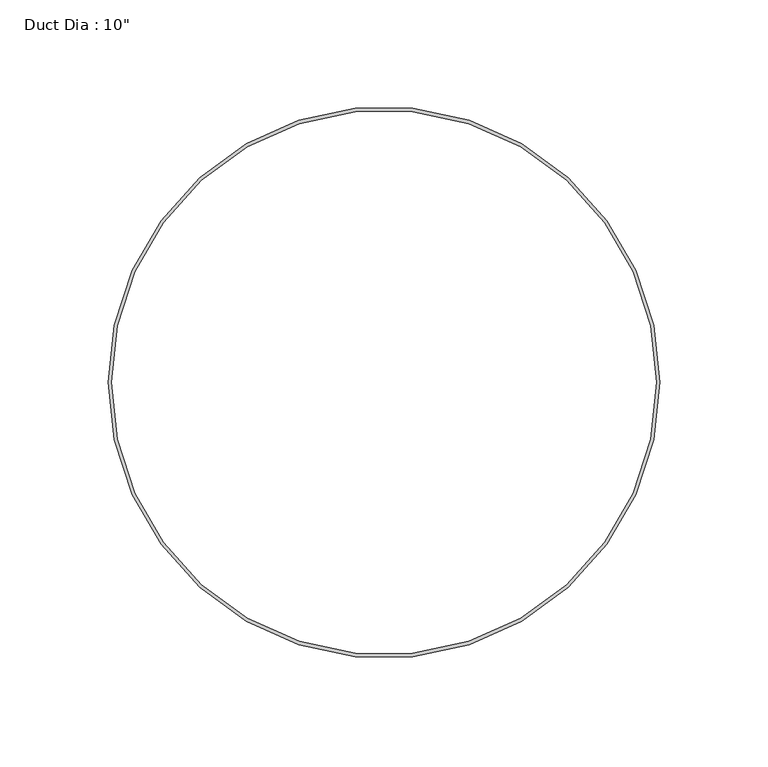
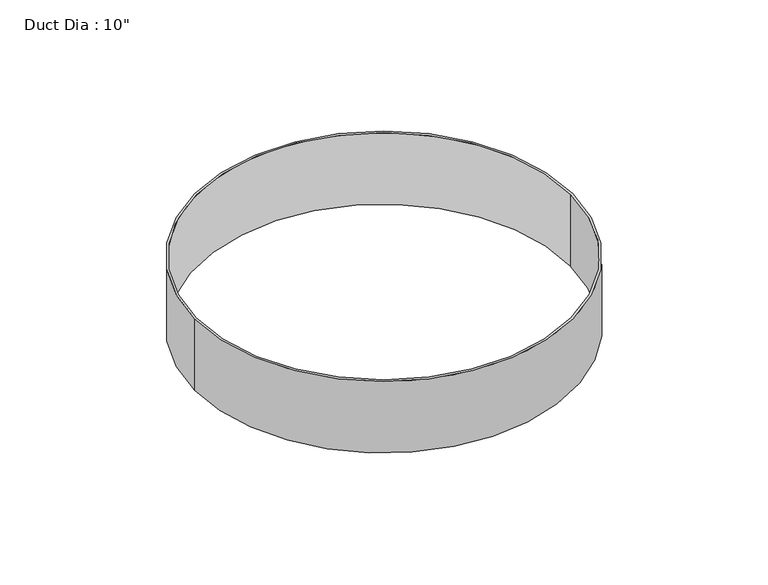
"""IFC4 building model written with IfcOpenShell, lengths in millimetres: proxy geometry."""

from ifc_helpers import new_model, si_unit, point, origin, origin_with_axes, origin_2d, place, context, project, spatial, circle_curve, trimmed, segment, composite_curve, outline, extrude, source, transform, mapped, element, save


def proxy_75aadba2(model_context):
    return source(origin(), model_context, "Body", "SweptSolid", [
        extrude(outline(composite_curve([segment(trimmed(circle_curve(origin_2d(), 127.0), [point((-127.0, 0.0))], [point((127.0, 0.0))], False, "CARTESIAN"), True, "CONTINUOUS"), segment(trimmed(circle_curve(origin_2d(), 127.0), [point((127.0, 0.0))], [point((-127.0, 0.0))], False, "CARTESIAN"), True, "CONTINUOUS")], self_intersect=False), holes=[composite_curve([segment(trimmed(circle_curve(origin_2d(), 125.4125), [point((-125.4125, 0.0))], [point((125.4125, 0.0))], True, "CARTESIAN"), True, "CONTINUOUS"), segment(trimmed(circle_curve(origin_2d(), 125.4125), [point((125.4125, 0.0))], [point((-125.4125, 0.0))], True, "CARTESIAN"), True, "CONTINUOUS")], self_intersect=False)]), origin_with_axes(), (0.0, 0.0, 1.0), 50.8),
    ])


if __name__ == "__main__":
    model = new_model("IFC4")
    model_context = context("Model", 3, world=origin())
    ifc_project = project(units=[si_unit("LENGTHUNIT", "METRE", prefix="MILLI")], contexts=[model_context])
    site = spatial("IfcSite", under=ifc_project)
    building = spatial("IfcBuilding", under=site)
    placement = place(None, origin())
    proxy_shape = proxy_75aadba2(model_context)
    element("IfcBuildingElementProxy", 1, Name="Duct Dia : 10\"", ObjectType="Duct Dia : 10\"", at=placement, inside=building, context=model_context, shape_type="MappedRepresentation", body=[
        mapped(proxy_shape, transform((0.0, 0.0, 0.0), x_axis=(1.0, 0.0, 0.0), y_axis=(0.0, 1.0, 0.0), z_axis=(0.0, 0.0, 1.0))),
    ])
    save(model, "model.ifc")
